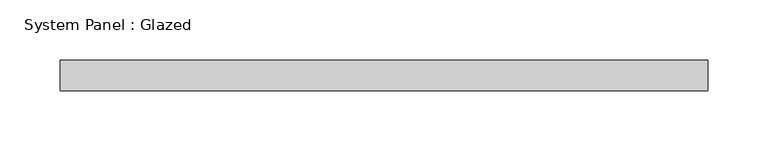
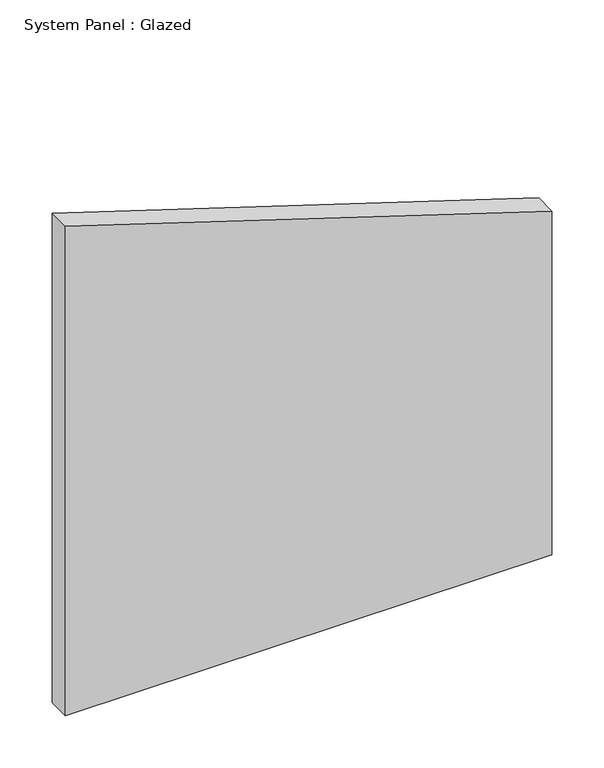
"""IFC4 building model written with IfcOpenShell, lengths in millimetres: plate geometry, System Panel : Glazed."""

from ifc_helpers import new_model, si_unit, frame, origin, place, context, project, spatial, polyline, outline, extrude, source, transform, mapped, element, save


def system_panel_glazed_a304b317(model_context):
    return source(origin(), model_context, "Body", "SweptSolid", [
        extrude(outline(polyline([(0.0, -269.7778324), (0.0, 269.7778324), (403.0519061, 269.7778324), (574.071464, -269.7778324), (0.0, -269.7778324)])), frame((0.0, 19.05, 0.0), z_axis=(0.0, 1.0, 0.0), x_axis=(0.0, 0.0, 1.0)), (0.0, 0.0, 1.0), 25.4),
    ])


if __name__ == "__main__":
    model = new_model("IFC4")
    model_context = context("Model", 3, world=origin())
    ifc_project = project(units=[si_unit("LENGTHUNIT", "METRE", prefix="MILLI")], contexts=[model_context])
    site = spatial("IfcSite", under=ifc_project)
    building = spatial("IfcBuilding", under=site)
    placement = place(None, origin())
    system_panel_glazed_shape = system_panel_glazed_a304b317(model_context)
    element("IfcPlate", 1, ObjectType="System Panel : Glazed", at=placement, inside=building, context=model_context, shape_type="MappedRepresentation", body=[
        mapped(system_panel_glazed_shape, transform((0.0, 0.0, 0.0), x_axis=(1.0, 0.0, 0.0), y_axis=(0.0, 1.0, 0.0), z_axis=(0.0, 0.0, 1.0))),
    ])
    save(model, "model.ifc")
